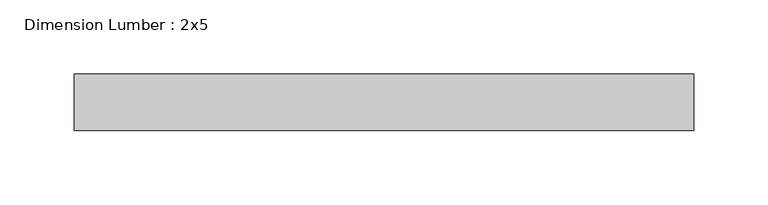
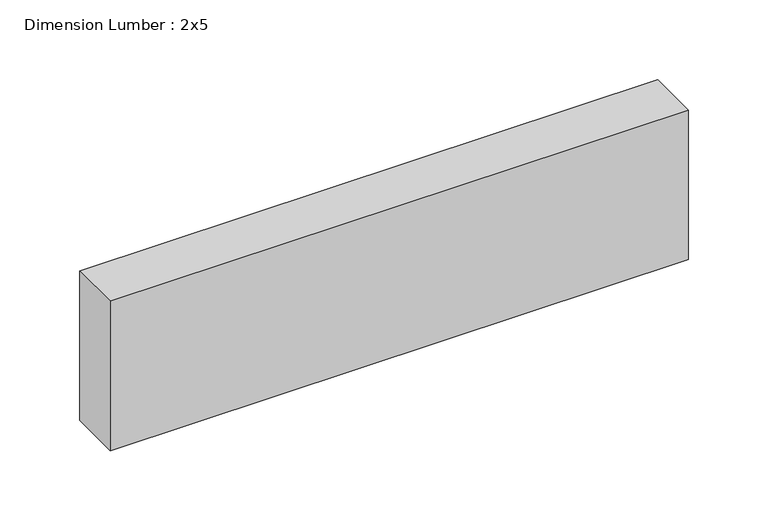
"""IFC4 building model written with IfcOpenShell, lengths in millimetres: beam geometry, Dimension Lumber : 2x5."""

from ifc_helpers import new_model, si_unit, frame, origin, place, context, project, spatial, polyline, outline, extrude, source, transform, mapped, element, save


def dimension_lumber_2x5_97d71196(model_context):
    return source(origin(), model_context, "Body", "SweptSolid", [
        extrude(outline(polyline([(208.6137463, 19.05), (208.6137463, -19.05), (-208.6137463, -19.05), (-208.6137463, 19.05), (208.6137463, 19.05)])), frame((0.0, 0.0, -57.15), z_axis=(0.0, 0.0, 1.0), x_axis=(1.0, 0.0, 0.0)), (0.0, 0.0, 1.0), 114.3),
    ])


if __name__ == "__main__":
    model = new_model("IFC4")
    model_context = context("Model", 3, world=origin())
    ifc_project = project(units=[si_unit("LENGTHUNIT", "METRE", prefix="MILLI")], contexts=[model_context])
    site = spatial("IfcSite", under=ifc_project)
    building = spatial("IfcBuilding", under=site)
    placement = place(None, origin())
    dimension_lumber_2x5_shape = dimension_lumber_2x5_97d71196(model_context)
    element("IfcBeam", 1, ObjectType="Dimension Lumber : 2x5", at=placement, inside=building, context=model_context, shape_type="MappedRepresentation", body=[
        mapped(dimension_lumber_2x5_shape, transform((0.0, 0.0, 0.0), x_axis=(1.0, 0.0, 0.0), y_axis=(0.0, 1.0, 0.0), z_axis=(0.0, 0.0, 1.0))),
    ])
    save(model, "model.ifc")
